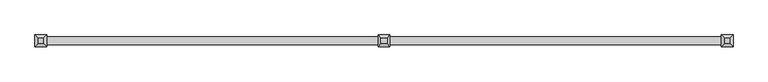
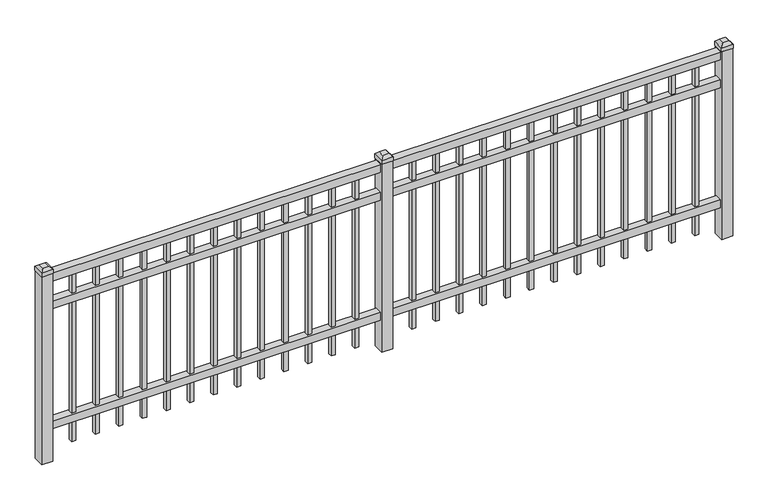
"""IFC4 building model written with IfcOpenShell, lengths in millimetres: railing geometry."""

from ifc_helpers import new_model, si_unit, frame, origin, place, context, project, spatial, polyline, outline, extrude, faceted_brep, source, transform, mapped, element, save


def railing_e4c22842(model_context):
    return source(origin(), model_context, "Body", "SolidModel", [
        extrude(outline(polyline([(-5522.8050134, 7020.1574518), (-5522.8050134, 7055.0824518), (-2373.2050134, 7055.0824518), (-2373.2050134, 7020.1574518), (-5522.8050134, 7020.1574518)])), frame((0.0, 0.0, 13068.3), z_axis=(0.0, 0.0, 1.0), x_axis=(1.0, 0.0, 0.0)), (0.0, 0.0, 1.0), 38.1),
        extrude(outline(polyline([(-5522.8050134, 7020.1574518), (-5522.8050134, 7055.0824518), (-2373.2050134, 7055.0824518), (-2373.2050134, 7020.1574518), (-5522.8050134, 7020.1574518)])), frame((0.0, 0.0, 12931.775), z_axis=(0.0, 0.0, 1.0), x_axis=(1.0, 0.0, 0.0)), (0.0, 0.0, 1.0), 38.1),
        extrude(outline(polyline([(-5522.8050134, 7020.1574518), (-5522.8050134, 7055.0824518), (-2373.2050134, 7055.0824518), (-2373.2050134, 7020.1574518), (-5522.8050134, 7020.1574518)])), frame((0.0, 0.0, 12344.4), z_axis=(0.0, 0.0, 1.0), x_axis=(1.0, 0.0, 0.0)), (0.0, 0.0, 1.0), 38.1),
        extrude(outline(polyline([(-2604.71543, 7047.1449518), (-2604.71543, 7028.0949518), (-2623.76543, 7028.0949518), (-2623.76543, 7047.1449518), (-2604.71543, 7047.1449518)])), frame((0.0, 0.0, 12242.8), z_axis=(0.0, 0.0, 1.0), x_axis=(1.0, 0.0, 0.0)), (0.0, 0.0, 1.0), 825.5),
        extrude(outline(polyline([(-2713.9883467, 7047.1449518), (-2713.9883467, 7028.0949518), (-2733.0383467, 7028.0949518), (-2733.0383467, 7047.1449518), (-2713.9883467, 7047.1449518)])), frame((0.0, 0.0, 12242.8), z_axis=(0.0, 0.0, 1.0), x_axis=(1.0, 0.0, 0.0)), (0.0, 0.0, 1.0), 825.5),
        extrude(outline(polyline([(-2823.2612634, 7047.1449518), (-2823.2612634, 7028.0949518), (-2842.3112634, 7028.0949518), (-2842.3112634, 7047.1449518), (-2823.2612634, 7047.1449518)])), frame((0.0, 0.0, 12242.8), z_axis=(0.0, 0.0, 1.0), x_axis=(1.0, 0.0, 0.0)), (0.0, 0.0, 1.0), 825.5),
        extrude(outline(polyline([(-2932.53418, 7047.1449518), (-2932.53418, 7028.0949518), (-2951.58418, 7028.0949518), (-2951.58418, 7047.1449518), (-2932.53418, 7047.1449518)])), frame((0.0, 0.0, 12242.8), z_axis=(0.0, 0.0, 1.0), x_axis=(1.0, 0.0, 0.0)), (0.0, 0.0, 1.0), 825.5),
        extrude(outline(polyline([(-3041.8070967, 7047.1449518), (-3041.8070967, 7028.0949518), (-3060.8570967, 7028.0949518), (-3060.8570967, 7047.1449518), (-3041.8070967, 7047.1449518)])), frame((0.0, 0.0, 12242.8), z_axis=(0.0, 0.0, 1.0), x_axis=(1.0, 0.0, 0.0)), (0.0, 0.0, 1.0), 825.5),
        extrude(outline(polyline([(-3151.0800134, 7047.1449518), (-3151.0800134, 7028.0949518), (-3170.1300134, 7028.0949518), (-3170.1300134, 7047.1449518), (-3151.0800134, 7047.1449518)])), frame((0.0, 0.0, 12242.8), z_axis=(0.0, 0.0, 1.0), x_axis=(1.0, 0.0, 0.0)), (0.0, 0.0, 1.0), 825.5),
        extrude(outline(polyline([(-3260.35293, 7047.1449518), (-3260.35293, 7028.0949518), (-3279.40293, 7028.0949518), (-3279.40293, 7047.1449518), (-3260.35293, 7047.1449518)])), frame((0.0, 0.0, 12242.8), z_axis=(0.0, 0.0, 1.0), x_axis=(1.0, 0.0, 0.0)), (0.0, 0.0, 1.0), 825.5),
        extrude(outline(polyline([(-3369.6258467, 7047.1449518), (-3369.6258467, 7028.0949518), (-3388.6758467, 7028.0949518), (-3388.6758467, 7047.1449518), (-3369.6258467, 7047.1449518)])), frame((0.0, 0.0, 12242.8), z_axis=(0.0, 0.0, 1.0), x_axis=(1.0, 0.0, 0.0)), (0.0, 0.0, 1.0), 825.5),
        extrude(outline(polyline([(-3478.8987634, 7047.1449518), (-3478.8987634, 7028.0949518), (-3497.9487634, 7028.0949518), (-3497.9487634, 7047.1449518), (-3478.8987634, 7047.1449518)])), frame((0.0, 0.0, 12242.8), z_axis=(0.0, 0.0, 1.0), x_axis=(1.0, 0.0, 0.0)), (0.0, 0.0, 1.0), 825.5),
        extrude(outline(polyline([(-3588.17168, 7047.1449518), (-3588.17168, 7028.0949518), (-3607.22168, 7028.0949518), (-3607.22168, 7047.1449518), (-3588.17168, 7047.1449518)])), frame((0.0, 0.0, 12242.8), z_axis=(0.0, 0.0, 1.0), x_axis=(1.0, 0.0, 0.0)), (0.0, 0.0, 1.0), 825.5),
        extrude(outline(polyline([(-3697.4445967, 7047.1449518), (-3697.4445967, 7028.0949518), (-3716.4945967, 7028.0949518), (-3716.4945967, 7047.1449518), (-3697.4445967, 7047.1449518)])), frame((0.0, 0.0, 12242.8), z_axis=(0.0, 0.0, 1.0), x_axis=(1.0, 0.0, 0.0)), (0.0, 0.0, 1.0), 825.5),
        extrude(outline(polyline([(-2495.4425134, 7047.1449518), (-2495.4425134, 7028.0949518), (-2514.4925134, 7028.0949518), (-2514.4925134, 7047.1449518), (-2495.4425134, 7047.1449518)])), frame((0.0, 0.0, 12242.8), z_axis=(0.0, 0.0, 1.0), x_axis=(1.0, 0.0, 0.0)), (0.0, 0.0, 1.0), 825.5),
        extrude(outline(polyline([(-3806.7175134, 7047.1449518), (-3806.7175134, 7028.0949518), (-3825.7675134, 7028.0949518), (-3825.7675134, 7047.1449518), (-3806.7175134, 7047.1449518)])), frame((0.0, 0.0, 12242.8), z_axis=(0.0, 0.0, 1.0), x_axis=(1.0, 0.0, 0.0)), (0.0, 0.0, 1.0), 825.5),
        faceted_brep([(-3974.9925134, 7064.6074518, 13131.8), (-3974.9925134, 7064.6074518, 13112.75), (-3974.9925134, 7010.6324518, 13112.75), (-3974.9925134, 7010.6324518, 13131.8), (-3962.2925134, 7051.9074518, 13144.5), (-3962.2925134, 7023.3324518, 13144.5), (-3921.0175134, 7010.6324518, 13112.75), (-3921.0175134, 7010.6324518, 13131.8), (-3933.7175134, 7023.3324518, 13144.5), (-3921.0175134, 7064.6074518, 13112.75), (-3921.0175134, 7064.6074518, 13131.8), (-3933.7175134, 7051.9074518, 13144.5)], [[[0, 1, 2, 3]], [[4, 0, 3, 5]], [[3, 2, 6, 7]], [[5, 3, 7, 8]], [[7, 6, 9, 10]], [[8, 7, 10, 11]], [[10, 9, 1, 0]], [[11, 10, 0, 4]], [[5, 8, 11, 4]], [[1, 9, 6, 2]]]),
        extrude(outline(polyline([(-3922.6050134, 7063.0199518), (-3922.6050134, 7012.2199518), (-3973.4050134, 7012.2199518), (-3973.4050134, 7063.0199518), (-3922.6050134, 7063.0199518)])), frame((0.0, 0.0, 12192.0), z_axis=(0.0, 0.0, 1.0), x_axis=(1.0, 0.0, 0.0)), (0.0, 0.0, 1.0), 920.75),
        extrude(outline(polyline([(-4179.51543, 7047.1449518), (-4179.51543, 7028.0949518), (-4198.56543, 7028.0949518), (-4198.56543, 7047.1449518), (-4179.51543, 7047.1449518)])), frame((0.0, 0.0, 12242.8), z_axis=(0.0, 0.0, 1.0), x_axis=(1.0, 0.0, 0.0)), (0.0, 0.0, 1.0), 825.5),
        extrude(outline(polyline([(-4288.7883467, 7047.1449518), (-4288.7883467, 7028.0949518), (-4307.8383467, 7028.0949518), (-4307.8383467, 7047.1449518), (-4288.7883467, 7047.1449518)])), frame((0.0, 0.0, 12242.8), z_axis=(0.0, 0.0, 1.0), x_axis=(1.0, 0.0, 0.0)), (0.0, 0.0, 1.0), 825.5),
        extrude(outline(polyline([(-4398.0612634, 7047.1449518), (-4398.0612634, 7028.0949518), (-4417.1112634, 7028.0949518), (-4417.1112634, 7047.1449518), (-4398.0612634, 7047.1449518)])), frame((0.0, 0.0, 12242.8), z_axis=(0.0, 0.0, 1.0), x_axis=(1.0, 0.0, 0.0)), (0.0, 0.0, 1.0), 825.5),
        extrude(outline(polyline([(-4507.33418, 7047.1449518), (-4507.33418, 7028.0949518), (-4526.38418, 7028.0949518), (-4526.38418, 7047.1449518), (-4507.33418, 7047.1449518)])), frame((0.0, 0.0, 12242.8), z_axis=(0.0, 0.0, 1.0), x_axis=(1.0, 0.0, 0.0)), (0.0, 0.0, 1.0), 825.5),
        extrude(outline(polyline([(-4616.6070967, 7047.1449518), (-4616.6070967, 7028.0949518), (-4635.6570967, 7028.0949518), (-4635.6570967, 7047.1449518), (-4616.6070967, 7047.1449518)])), frame((0.0, 0.0, 12242.8), z_axis=(0.0, 0.0, 1.0), x_axis=(1.0, 0.0, 0.0)), (0.0, 0.0, 1.0), 825.5),
        extrude(outline(polyline([(-4725.8800134, 7047.1449518), (-4725.8800134, 7028.0949518), (-4744.9300134, 7028.0949518), (-4744.9300134, 7047.1449518), (-4725.8800134, 7047.1449518)])), frame((0.0, 0.0, 12242.8), z_axis=(0.0, 0.0, 1.0), x_axis=(1.0, 0.0, 0.0)), (0.0, 0.0, 1.0), 825.5),
        extrude(outline(polyline([(-4835.15293, 7047.1449518), (-4835.15293, 7028.0949518), (-4854.20293, 7028.0949518), (-4854.20293, 7047.1449518), (-4835.15293, 7047.1449518)])), frame((0.0, 0.0, 12242.8), z_axis=(0.0, 0.0, 1.0), x_axis=(1.0, 0.0, 0.0)), (0.0, 0.0, 1.0), 825.5),
        extrude(outline(polyline([(-4944.4258467, 7047.1449518), (-4944.4258467, 7028.0949518), (-4963.4758467, 7028.0949518), (-4963.4758467, 7047.1449518), (-4944.4258467, 7047.1449518)])), frame((0.0, 0.0, 12242.8), z_axis=(0.0, 0.0, 1.0), x_axis=(1.0, 0.0, 0.0)), (0.0, 0.0, 1.0), 825.5),
        extrude(outline(polyline([(-5053.6987634, 7047.1449518), (-5053.6987634, 7028.0949518), (-5072.7487634, 7028.0949518), (-5072.7487634, 7047.1449518), (-5053.6987634, 7047.1449518)])), frame((0.0, 0.0, 12242.8), z_axis=(0.0, 0.0, 1.0), x_axis=(1.0, 0.0, 0.0)), (0.0, 0.0, 1.0), 825.5),
        extrude(outline(polyline([(-5162.97168, 7047.1449518), (-5162.97168, 7028.0949518), (-5182.02168, 7028.0949518), (-5182.02168, 7047.1449518), (-5162.97168, 7047.1449518)])), frame((0.0, 0.0, 12242.8), z_axis=(0.0, 0.0, 1.0), x_axis=(1.0, 0.0, 0.0)), (0.0, 0.0, 1.0), 825.5),
        extrude(outline(polyline([(-5272.2445967, 7047.1449518), (-5272.2445967, 7028.0949518), (-5291.2945967, 7028.0949518), (-5291.2945967, 7047.1449518), (-5272.2445967, 7047.1449518)])), frame((0.0, 0.0, 12242.8), z_axis=(0.0, 0.0, 1.0), x_axis=(1.0, 0.0, 0.0)), (0.0, 0.0, 1.0), 825.5),
        extrude(outline(polyline([(-4070.2425134, 7047.1449518), (-4070.2425134, 7028.0949518), (-4089.2925134, 7028.0949518), (-4089.2925134, 7047.1449518), (-4070.2425134, 7047.1449518)])), frame((0.0, 0.0, 12242.8), z_axis=(0.0, 0.0, 1.0), x_axis=(1.0, 0.0, 0.0)), (0.0, 0.0, 1.0), 825.5),
        extrude(outline(polyline([(-5381.5175134, 7047.1449518), (-5381.5175134, 7028.0949518), (-5400.5675134, 7028.0949518), (-5400.5675134, 7047.1449518), (-5381.5175134, 7047.1449518)])), frame((0.0, 0.0, 12242.8), z_axis=(0.0, 0.0, 1.0), x_axis=(1.0, 0.0, 0.0)), (0.0, 0.0, 1.0), 825.5),
        faceted_brep([(-2400.1925134, 7064.6074518, 13131.8), (-2400.1925134, 7064.6074518, 13112.75), (-2400.1925134, 7010.6324518, 13112.75), (-2400.1925134, 7010.6324518, 13131.8), (-2387.4925134, 7051.9074518, 13144.5), (-2387.4925134, 7023.3324518, 13144.5), (-2346.2175134, 7010.6324518, 13112.75), (-2346.2175134, 7010.6324518, 13131.8), (-2358.9175134, 7023.3324518, 13144.5), (-2346.2175134, 7064.6074518, 13112.75), (-2346.2175134, 7064.6074518, 13131.8), (-2358.9175134, 7051.9074518, 13144.5)], [[[0, 1, 2, 3]], [[4, 0, 3, 5]], [[3, 2, 6, 7]], [[5, 3, 7, 8]], [[7, 6, 9, 10]], [[8, 7, 10, 11]], [[10, 9, 1, 0]], [[11, 10, 0, 4]], [[5, 8, 11, 4]], [[1, 9, 6, 2]]]),
        extrude(outline(polyline([(-2347.8050134, 7063.0199518), (-2347.8050134, 7012.2199518), (-2398.6050134, 7012.2199518), (-2398.6050134, 7063.0199518), (-2347.8050134, 7063.0199518)])), frame((0.0, 0.0, 12192.0), z_axis=(0.0, 0.0, 1.0), x_axis=(1.0, 0.0, 0.0)), (0.0, 0.0, 1.0), 920.75),
        faceted_brep([(-5549.7925134, 7064.6074518, 13131.8), (-5549.7925134, 7064.6074518, 13112.75), (-5549.7925134, 7010.6324518, 13112.75), (-5549.7925134, 7010.6324518, 13131.8), (-5537.0925134, 7051.9074518, 13144.5), (-5537.0925134, 7023.3324518, 13144.5), (-5495.8175134, 7010.6324518, 13112.75), (-5495.8175134, 7010.6324518, 13131.8), (-5508.5175134, 7023.3324518, 13144.5), (-5495.8175134, 7064.6074518, 13112.75), (-5495.8175134, 7064.6074518, 13131.8), (-5508.5175134, 7051.9074518, 13144.5)], [[[0, 1, 2, 3]], [[4, 0, 3, 5]], [[3, 2, 6, 7]], [[5, 3, 7, 8]], [[7, 6, 9, 10]], [[8, 7, 10, 11]], [[10, 9, 1, 0]], [[11, 10, 0, 4]], [[5, 8, 11, 4]], [[1, 9, 6, 2]]]),
        extrude(outline(polyline([(-5497.4050134, 7063.0199518), (-5497.4050134, 7012.2199518), (-5548.2050134, 7012.2199518), (-5548.2050134, 7063.0199518), (-5497.4050134, 7063.0199518)])), frame((0.0, 0.0, 12192.0), z_axis=(0.0, 0.0, 1.0), x_axis=(1.0, 0.0, 0.0)), (0.0, 0.0, 1.0), 920.75),
    ])


if __name__ == "__main__":
    model = new_model("IFC4")
    model_context = context("Model", 3, world=origin())
    ifc_project = project(units=[si_unit("LENGTHUNIT", "METRE", prefix="MILLI")], contexts=[model_context])
    site = spatial("IfcSite", under=ifc_project)
    building = spatial("IfcBuilding", under=site)
    placement = place(None, origin())
    railing_shape = railing_e4c22842(model_context)
    element("IfcRailing", 1, at=placement, inside=building, context=model_context, shape_type="MappedRepresentation", body=[
        mapped(railing_shape, transform((0.0, 0.0, 0.0), x_axis=(1.0, 0.0, 0.0), y_axis=(0.0, 1.0, 0.0), z_axis=(0.0, 0.0, 1.0))),
    ])
    save(model, "model.ifc")
